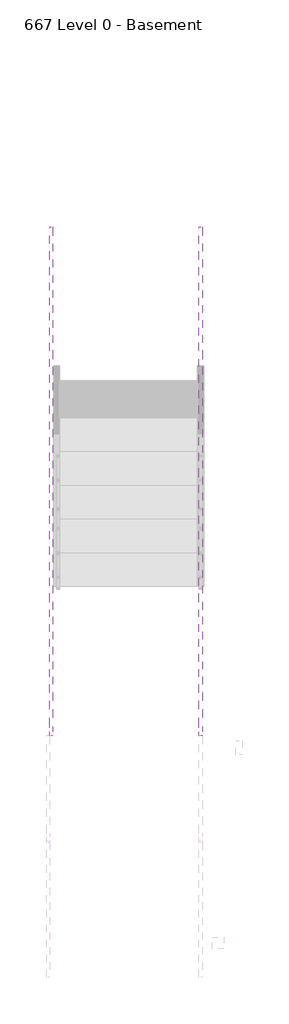
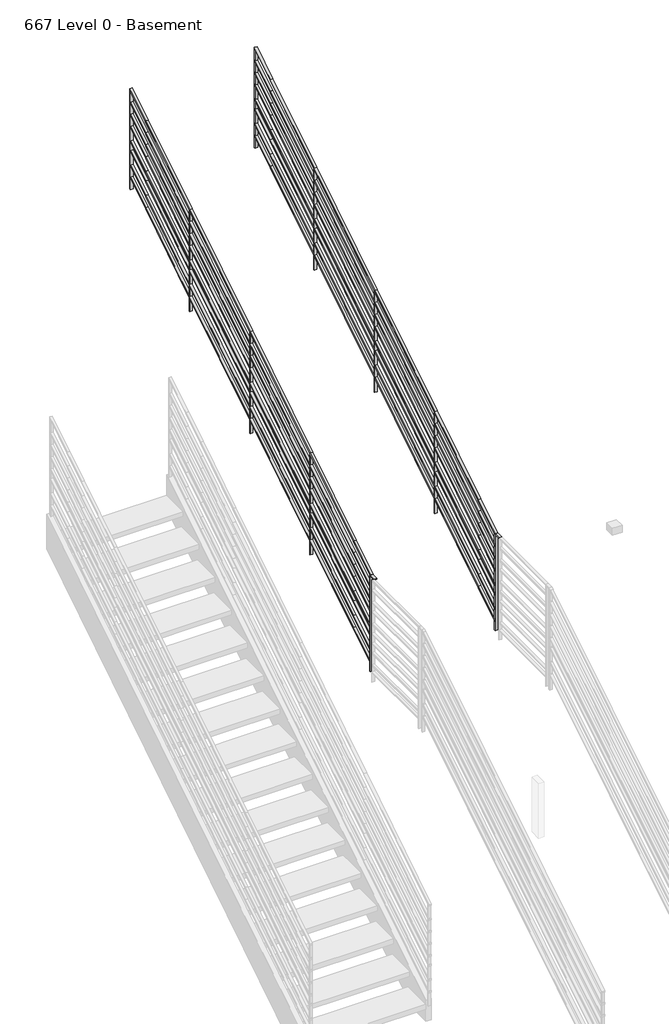
# One storey, part 12 of 19: 2 railings.
"""IFC4 building model written with IfcOpenShell, lengths in millimetres."""

from ifc_helpers import new_model, si_unit, frame, origin, place, context, project, spatial, polyline, outline, extrude, faceted_brep, element, save

model = new_model("IFC4")

# Units and contexts
model_context = context("Model", 3, world=origin())
ifc_project = project(units=[si_unit("LENGTHUNIT", "METRE", prefix="MILLI")], contexts=[model_context])

# Site, building, storey
site = spatial("IfcSite", under=ifc_project)
building = spatial("IfcBuilding", under=site)
storey = spatial("IfcBuildingStorey", under=building, Name="667 Level 0 - Basement", Elevation=-14122.4)

# Railings
placement = place(None, origin())
element("IfcRailing", 1, ObjectType="Handrail - Rectangular Type4", at=placement, inside=storey, context=model_context, shape_type="SolidModel", body=[
    faceted_brep([(-5707.5310621, 25963.8590209, -7929.0682498), (-5707.5310621, 25957.115476, -7918.3065305), (-5707.5310621, 26706.415476, -7448.7776344), (-5707.5310621, 26713.1590209, -7459.5393537), (-5682.1310621, 25963.8590209, -7929.0682498), (-5682.1310621, 26713.1590209, -7459.5393537), (-5682.1310621, 25957.115476, -7918.3065305), (-5682.1310621, 26706.415476, -7448.7776344), (-5707.5310621, 27740.3095062, -6800.9154661), (-5707.5310621, 27747.053051, -6811.6771854), (-5682.1310621, 27747.053051, -6811.6771854), (-5682.1310621, 27740.3095062, -6800.9154661), (-5707.5310621, 28781.7095062, -6148.3498817), (-5707.5310621, 28788.453051, -6159.111601), (-5682.1310621, 28788.453051, -6159.111601), (-5682.1310621, 28781.7095062, -6148.3498817), (-5707.5310621, 29537.3595062, -5674.8419272), (-5707.5310621, 29544.103051, -5685.6036465), (-5682.1310621, 29544.103051, -5685.6036465), (-5682.1310621, 29537.3595062, -5674.8419272), (-5707.5310621, 25679.2612155, -8107.4038876), (-5707.5310621, 25666.5612155, -8100.3746223), (-5682.1310621, 25679.2612155, -8107.4038876), (-5682.1310621, 25666.5612155, -8100.3746223), (-5707.5310621, 25666.5612155, -9119.8892549), (-5707.5310621, 25679.2612155, -9119.8892549), (-5682.1310621, 25679.2612155, -9119.8892549), (-5682.1310621, 25666.5612155, -9119.8892549), (-5707.5310621, 29812.2385956, -5502.5962639), (-5707.5310621, 29799.5385956, -5525.541763), (-5682.1310621, 29799.5385956, -5525.541763), (-5682.1310621, 29812.2385956, -5502.5962639), (-5707.5310621, 29812.2385956, -6555.4690135), (-5682.1310621, 29812.2385956, -6555.4690135), (-5682.1310621, 29799.5385956, -6555.4690135), (-5707.5310621, 29799.5385956, -6555.4690135)], [[[0, 1, 2, 3]], [[4, 0, 3, 5]], [[6, 4, 5, 7]], [[1, 6, 7, 2]], [[3, 2, 8, 9]], [[5, 3, 9, 10]], [[7, 5, 10, 11]], [[2, 7, 11, 8]], [[9, 8, 12, 13]], [[10, 9, 13, 14]], [[11, 10, 14, 15]], [[8, 11, 15, 12]], [[13, 12, 16, 17]], [[14, 13, 17, 18]], [[15, 14, 18, 19]], [[12, 15, 19, 16]], [[20, 21, 1, 0]], [[22, 20, 0, 4]], [[23, 22, 4, 6]], [[21, 23, 6, 1]], [[24, 25, 26, 27]], [[25, 24, 21, 20]], [[26, 25, 20, 22]], [[27, 26, 22, 23]], [[24, 27, 23, 21]], [[17, 16, 28, 29]], [[18, 17, 29, 30]], [[19, 18, 30, 31]], [[16, 19, 31, 28]], [[32, 33, 34, 35]], [[29, 28, 32, 35]], [[30, 29, 35, 34]], [[31, 30, 34, 33]], [[28, 31, 33, 32]]]),
    faceted_brep([(-5707.5310621, 25960.4872484, -8058.1810812), (-5707.5310621, 25960.4872484, -8043.193699), (-5682.1310621, 25960.4872484, -8043.193699), (-5682.1310621, 25960.4872484, -8058.1810812), (-5707.5310621, 25672.9112155, -8238.382946), (-5682.1310621, 25672.9112155, -8238.382946), (-5682.1310621, 25672.9112155, -8223.3955639), (-5707.5310621, 25672.9112155, -8223.3955639)], [[[0, 1, 2, 3]], [[4, 5, 6, 7]], [[1, 0, 4, 7]], [[2, 1, 7, 6]], [[3, 2, 6, 5]], [[0, 3, 5, 4]]]),
    faceted_brep([(-5707.5310621, 25960.4872484, -8185.1810812), (-5707.5310621, 25960.4872484, -8170.193699), (-5682.1310621, 25960.4872484, -8170.193699), (-5682.1310621, 25960.4872484, -8185.1810812), (-5707.5310621, 25672.9112155, -8365.382946), (-5682.1310621, 25672.9112155, -8365.382946), (-5682.1310621, 25672.9112155, -8350.3955639), (-5707.5310621, 25672.9112155, -8350.3955639)], [[[0, 1, 2, 3]], [[4, 5, 6, 7]], [[1, 0, 4, 7]], [[2, 1, 7, 6]], [[3, 2, 6, 5]], [[0, 3, 5, 4]]]),
    faceted_brep([(-5707.5310621, 25960.4872484, -8312.1810812), (-5707.5310621, 25960.4872484, -8297.193699), (-5682.1310621, 25960.4872484, -8297.193699), (-5682.1310621, 25960.4872484, -8312.1810812), (-5707.5310621, 25672.9112155, -8492.382946), (-5682.1310621, 25672.9112155, -8492.382946), (-5682.1310621, 25672.9112155, -8477.3955639), (-5707.5310621, 25672.9112155, -8477.3955639)], [[[0, 1, 2, 3]], [[4, 5, 6, 7]], [[1, 0, 4, 7]], [[2, 1, 7, 6]], [[3, 2, 6, 5]], [[0, 3, 5, 4]]]),
    faceted_brep([(-5707.5310621, 25960.4872484, -8464.5810812), (-5707.5310621, 25960.4872484, -8449.593699), (-5682.1310621, 25960.4872484, -8449.593699), (-5682.1310621, 25960.4872484, -8464.5810812), (-5707.5310621, 25672.9112155, -8644.782946), (-5682.1310621, 25672.9112155, -8644.782946), (-5682.1310621, 25672.9112155, -8629.7955639), (-5707.5310621, 25672.9112155, -8629.7955639)], [[[0, 1, 2, 3]], [[4, 5, 6, 7]], [[1, 0, 4, 7]], [[2, 1, 7, 6]], [[3, 2, 6, 5]], [[0, 3, 5, 4]]]),
    faceted_brep([(-5707.5310621, 25960.4872484, -8566.1810812), (-5707.5310621, 25960.4872484, -8551.193699), (-5682.1310621, 25960.4872484, -8551.193699), (-5682.1310621, 25960.4872484, -8566.1810812), (-5707.5310621, 25672.9112155, -8746.382946), (-5682.1310621, 25672.9112155, -8746.382946), (-5682.1310621, 25672.9112155, -8731.3955639), (-5707.5310621, 25672.9112155, -8731.3955639)], [[[0, 1, 2, 3]], [[4, 5, 6, 7]], [[1, 0, 4, 7]], [[2, 1, 7, 6]], [[3, 2, 6, 5]], [[0, 3, 5, 4]]]),
    faceted_brep([(-5707.5310621, 25960.4872484, -8718.5810812), (-5707.5310621, 25960.4872484, -8703.593699), (-5682.1310621, 25960.4872484, -8703.593699), (-5682.1310621, 25960.4872484, -8718.5810812), (-5707.5310621, 25672.9112155, -8898.782946), (-5682.1310621, 25672.9112155, -8898.782946), (-5682.1310621, 25672.9112155, -8883.7955639), (-5707.5310621, 25672.9112155, -8883.7955639)], [[[0, 1, 2, 3]], [[4, 5, 6, 7]], [[1, 0, 4, 7]], [[2, 1, 7, 6]], [[3, 2, 6, 5]], [[0, 3, 5, 4]]]),
    faceted_brep([(-5707.5310621, 25960.4872484, -8845.5810812), (-5707.5310621, 25960.4872484, -8830.593699), (-5682.1310621, 25960.4872484, -8830.593699), (-5682.1310621, 25960.4872484, -8845.5810812), (-5707.5310621, 25672.9112155, -9025.782946), (-5682.1310621, 25672.9112155, -9025.782946), (-5682.1310621, 25672.9112155, -9010.7955639), (-5707.5310621, 25672.9112155, -9010.7955639)], [[[0, 1, 2, 3]], [[4, 5, 6, 7]], [[1, 0, 4, 7]], [[2, 1, 7, 6]], [[3, 2, 6, 5]], [[0, 3, 5, 4]]]),
    faceted_brep([(-5707.5310621, 25599.8862155, -8102.6), (-5707.5310621, 25599.8862155, -8115.3), (-5682.1310621, 25599.8862155, -8115.3), (-5682.1310621, 25599.8862155, -8102.6), (-5707.5310621, 25676.0862155, -8102.6), (-5682.1310621, 25676.0862155, -8102.6), (-5682.1310621, 25676.0862155, -8115.3), (-5707.5310621, 25676.0862155, -8115.3)], [[[0, 1, 2, 3]], [[4, 5, 6, 7]], [[1, 0, 4, 7]], [[2, 1, 7, 6]], [[3, 2, 6, 5]], [[0, 3, 5, 4]]]),
    faceted_brep([(-5707.5310621, 29805.8885956, -5648.5627046), (-5707.5310621, 29805.8885956, -5633.5753224), (-5682.1310621, 29805.8885956, -5633.5753224), (-5682.1310621, 29805.8885956, -5648.5627046), (-5707.5310621, 29540.7312786, -5814.7164779), (-5682.1310621, 29540.7312786, -5814.7164779), (-5682.1310621, 29540.7312786, -5799.7290957), (-5707.5310621, 29540.7312786, -5799.7290957)], [[[0, 1, 2, 3]], [[4, 5, 6, 7]], [[1, 0, 4, 7]], [[2, 1, 7, 6]], [[3, 2, 6, 5]], [[0, 3, 5, 4]]]),
    faceted_brep([(-5707.5310621, 29805.8885956, -5775.5627046), (-5707.5310621, 29805.8885956, -5760.5753224), (-5682.1310621, 29805.8885956, -5760.5753224), (-5682.1310621, 29805.8885956, -5775.5627046), (-5707.5310621, 29540.7312786, -5941.7164779), (-5682.1310621, 29540.7312786, -5941.7164779), (-5682.1310621, 29540.7312786, -5926.7290957), (-5707.5310621, 29540.7312786, -5926.7290957)], [[[0, 1, 2, 3]], [[4, 5, 6, 7]], [[1, 0, 4, 7]], [[2, 1, 7, 6]], [[3, 2, 6, 5]], [[0, 3, 5, 4]]]),
    faceted_brep([(-5707.5310621, 29805.8885956, -5902.5627046), (-5707.5310621, 29805.8885956, -5887.5753224), (-5682.1310621, 29805.8885956, -5887.5753224), (-5682.1310621, 29805.8885956, -5902.5627046), (-5707.5310621, 29540.7312786, -6068.7164779), (-5682.1310621, 29540.7312786, -6068.7164779), (-5682.1310621, 29540.7312786, -6053.7290957), (-5707.5310621, 29540.7312786, -6053.7290957)], [[[0, 1, 2, 3]], [[4, 5, 6, 7]], [[1, 0, 4, 7]], [[2, 1, 7, 6]], [[3, 2, 6, 5]], [[0, 3, 5, 4]]]),
    faceted_brep([(-5707.5310621, 29805.8885956, -6054.9627046), (-5707.5310621, 29805.8885956, -6039.9753224), (-5682.1310621, 29805.8885956, -6039.9753224), (-5682.1310621, 29805.8885956, -6054.9627046), (-5707.5310621, 29540.7312786, -6221.1164779), (-5682.1310621, 29540.7312786, -6221.1164779), (-5682.1310621, 29540.7312786, -6206.1290957), (-5707.5310621, 29540.7312786, -6206.1290957)], [[[0, 1, 2, 3]], [[4, 5, 6, 7]], [[1, 0, 4, 7]], [[2, 1, 7, 6]], [[3, 2, 6, 5]], [[0, 3, 5, 4]]]),
    faceted_brep([(-5707.5310621, 29805.8885956, -6156.5627046), (-5707.5310621, 29805.8885956, -6141.5753224), (-5682.1310621, 29805.8885956, -6141.5753224), (-5682.1310621, 29805.8885956, -6156.5627046), (-5707.5310621, 29540.7312786, -6322.7164779), (-5682.1310621, 29540.7312786, -6322.7164779), (-5682.1310621, 29540.7312786, -6307.7290957), (-5707.5310621, 29540.7312786, -6307.7290957)], [[[0, 1, 2, 3]], [[4, 5, 6, 7]], [[1, 0, 4, 7]], [[2, 1, 7, 6]], [[3, 2, 6, 5]], [[0, 3, 5, 4]]]),
    faceted_brep([(-5707.5310621, 29805.8885956, -6308.9627046), (-5707.5310621, 29805.8885956, -6293.9753224), (-5682.1310621, 29805.8885956, -6293.9753224), (-5682.1310621, 29805.8885956, -6308.9627046), (-5707.5310621, 29540.7312786, -6475.1164779), (-5682.1310621, 29540.7312786, -6475.1164779), (-5682.1310621, 29540.7312786, -6460.1290957), (-5707.5310621, 29540.7312786, -6460.1290957)], [[[0, 1, 2, 3]], [[4, 5, 6, 7]], [[1, 0, 4, 7]], [[2, 1, 7, 6]], [[3, 2, 6, 5]], [[0, 3, 5, 4]]]),
    faceted_brep([(-5707.5310621, 29805.8885956, -6435.9627046), (-5707.5310621, 29805.8885956, -6420.9753224), (-5682.1310621, 29805.8885956, -6420.9753224), (-5682.1310621, 29805.8885956, -6435.9627046), (-5707.5310621, 29540.7312786, -6602.1164779), (-5682.1310621, 29540.7312786, -6602.1164779), (-5682.1310621, 29540.7312786, -6587.1290957), (-5707.5310621, 29540.7312786, -6587.1290957)], [[[0, 1, 2, 3]], [[4, 5, 6, 7]], [[1, 0, 4, 7]], [[2, 1, 7, 6]], [[3, 2, 6, 5]], [[0, 3, 5, 4]]]),
    extrude(outline(polyline([(25960.4872484, -8845.5810812), (25960.4872484, -8830.593699), (26709.7872484, -8361.0648029), (26709.7872484, -8376.0521851), (25960.4872484, -8845.5810812)])), frame((-5707.5310621, 0.0, 0.0), z_axis=(1.0, 0.0, 0.0), x_axis=(0.0, 1.0, 0.0)), (0.0, 0.0, 1.0), 25.4),
    extrude(outline(polyline([(25960.4872484, -8718.5810812), (25960.4872484, -8703.593699), (26709.7872484, -8234.0648029), (26709.7872484, -8249.0521851), (25960.4872484, -8718.5810812)])), frame((-5707.5310621, 0.0, 0.0), z_axis=(1.0, 0.0, 0.0), x_axis=(0.0, 1.0, 0.0)), (0.0, 0.0, 1.0), 25.4),
    extrude(outline(polyline([(25960.4872484, -8566.1810812), (25960.4872484, -8551.193699), (26709.7872484, -8081.6648029), (26709.7872484, -8096.6521851), (25960.4872484, -8566.1810812)])), frame((-5707.5310621, 0.0, 0.0), z_axis=(1.0, 0.0, 0.0), x_axis=(0.0, 1.0, 0.0)), (0.0, 0.0, 1.0), 25.4),
    extrude(outline(polyline([(25960.4872484, -8464.5810812), (25960.4872484, -8449.593699), (26709.7872484, -7980.0648029), (26709.7872484, -7995.0521851), (25960.4872484, -8464.5810812)])), frame((-5707.5310621, 0.0, 0.0), z_axis=(1.0, 0.0, 0.0), x_axis=(0.0, 1.0, 0.0)), (0.0, 0.0, 1.0), 25.4),
    extrude(outline(polyline([(25960.4872484, -8312.1810812), (25960.4872484, -8297.193699), (26709.7872484, -7827.6648029), (26709.7872484, -7842.6521851), (25960.4872484, -8312.1810812)])), frame((-5707.5310621, 0.0, 0.0), z_axis=(1.0, 0.0, 0.0), x_axis=(0.0, 1.0, 0.0)), (0.0, 0.0, 1.0), 25.4),
    extrude(outline(polyline([(25960.4872484, -8185.1810812), (25960.4872484, -8170.193699), (26709.7872484, -7700.6648029), (26709.7872484, -7715.6521851), (25960.4872484, -8185.1810812)])), frame((-5707.5310621, 0.0, 0.0), z_axis=(1.0, 0.0, 0.0), x_axis=(0.0, 1.0, 0.0)), (0.0, 0.0, 1.0), 25.4),
    extrude(outline(polyline([(25960.4872484, -8058.1810812), (25960.4872484, -8043.193699), (26709.7872484, -7573.6648029), (26709.7872484, -7588.6521851), (25960.4872484, -8058.1810812)])), frame((-5707.5310621, 0.0, 0.0), z_axis=(1.0, 0.0, 0.0), x_axis=(0.0, 1.0, 0.0)), (0.0, 0.0, 1.0), 25.4),
    extrude(outline(polyline([(26709.7872484, -8376.0521851), (26709.7872484, -8361.0648029), (27743.6812786, -7713.2026347), (27743.6812786, -7728.1900169), (26709.7872484, -8376.0521851)])), frame((-5707.5310621, 0.0, 0.0), z_axis=(1.0, 0.0, 0.0), x_axis=(0.0, 1.0, 0.0)), (0.0, 0.0, 1.0), 25.4),
    extrude(outline(polyline([(27743.6812786, -7728.1900169), (27743.6812786, -7713.2026347), (28785.0812786, -7060.6370503), (28785.0812786, -7075.6244324), (27743.6812786, -7728.1900169)])), frame((-5707.5310621, 0.0, 0.0), z_axis=(1.0, 0.0, 0.0), x_axis=(0.0, 1.0, 0.0)), (0.0, 0.0, 1.0), 25.4),
    extrude(outline(polyline([(28785.0812786, -7075.6244324), (28785.0812786, -7060.6370503), (29540.7312786, -6587.1290957), (29540.7312786, -6602.1164779), (28785.0812786, -7075.6244324)])), frame((-5707.5310621, 0.0, 0.0), z_axis=(1.0, 0.0, 0.0), x_axis=(0.0, 1.0, 0.0)), (0.0, 0.0, 1.0), 25.4),
    extrude(outline(polyline([(26709.7872484, -8249.0521851), (26709.7872484, -8234.0648029), (27743.6812786, -7586.2026347), (27743.6812786, -7601.1900169), (26709.7872484, -8249.0521851)])), frame((-5707.5310621, 0.0, 0.0), z_axis=(1.0, 0.0, 0.0), x_axis=(0.0, 1.0, 0.0)), (0.0, 0.0, 1.0), 25.4),
    extrude(outline(polyline([(27743.6812786, -7601.1900169), (27743.6812786, -7586.2026347), (28785.0812786, -6933.6370503), (28785.0812786, -6948.6244324), (27743.6812786, -7601.1900169)])), frame((-5707.5310621, 0.0, 0.0), z_axis=(1.0, 0.0, 0.0), x_axis=(0.0, 1.0, 0.0)), (0.0, 0.0, 1.0), 25.4),
    extrude(outline(polyline([(28785.0812786, -6948.6244324), (28785.0812786, -6933.6370503), (29540.7312786, -6460.1290957), (29540.7312786, -6475.1164779), (28785.0812786, -6948.6244324)])), frame((-5707.5310621, 0.0, 0.0), z_axis=(1.0, 0.0, 0.0), x_axis=(0.0, 1.0, 0.0)), (0.0, 0.0, 1.0), 25.4),
    extrude(outline(polyline([(26709.7872484, -8096.6521851), (26709.7872484, -8081.6648029), (27743.6812786, -7433.8026347), (27743.6812786, -7448.7900169), (26709.7872484, -8096.6521851)])), frame((-5707.5310621, 0.0, 0.0), z_axis=(1.0, 0.0, 0.0), x_axis=(0.0, 1.0, 0.0)), (0.0, 0.0, 1.0), 25.4),
    extrude(outline(polyline([(27743.6812786, -7448.7900169), (27743.6812786, -7433.8026347), (28785.0812786, -6781.2370503), (28785.0812786, -6796.2244324), (27743.6812786, -7448.7900169)])), frame((-5707.5310621, 0.0, 0.0), z_axis=(1.0, 0.0, 0.0), x_axis=(0.0, 1.0, 0.0)), (0.0, 0.0, 1.0), 25.4),
    extrude(outline(polyline([(28785.0812786, -6796.2244324), (28785.0812786, -6781.2370503), (29540.7312786, -6307.7290957), (29540.7312786, -6322.7164779), (28785.0812786, -6796.2244324)])), frame((-5707.5310621, 0.0, 0.0), z_axis=(1.0, 0.0, 0.0), x_axis=(0.0, 1.0, 0.0)), (0.0, 0.0, 1.0), 25.4),
    extrude(outline(polyline([(26709.7872484, -7995.0521851), (26709.7872484, -7980.0648029), (27743.6812786, -7332.2026347), (27743.6812786, -7347.1900169), (26709.7872484, -7995.0521851)])), frame((-5707.5310621, 0.0, 0.0), z_axis=(1.0, 0.0, 0.0), x_axis=(0.0, 1.0, 0.0)), (0.0, 0.0, 1.0), 25.4),
    extrude(outline(polyline([(27743.6812786, -7347.1900169), (27743.6812786, -7332.2026347), (28785.0812786, -6679.6370503), (28785.0812786, -6694.6244324), (27743.6812786, -7347.1900169)])), frame((-5707.5310621, 0.0, 0.0), z_axis=(1.0, 0.0, 0.0), x_axis=(0.0, 1.0, 0.0)), (0.0, 0.0, 1.0), 25.4),
    extrude(outline(polyline([(28785.0812786, -6694.6244324), (28785.0812786, -6679.6370503), (29540.7312786, -6206.1290957), (29540.7312786, -6221.1164779), (28785.0812786, -6694.6244324)])), frame((-5707.5310621, 0.0, 0.0), z_axis=(1.0, 0.0, 0.0), x_axis=(0.0, 1.0, 0.0)), (0.0, 0.0, 1.0), 25.4),
    extrude(outline(polyline([(26709.7872484, -7842.6521851), (26709.7872484, -7827.6648029), (27743.6812786, -7179.8026347), (27743.6812786, -7194.7900169), (26709.7872484, -7842.6521851)])), frame((-5707.5310621, 0.0, 0.0), z_axis=(1.0, 0.0, 0.0), x_axis=(0.0, 1.0, 0.0)), (0.0, 0.0, 1.0), 25.4),
    extrude(outline(polyline([(27743.6812786, -7194.7900169), (27743.6812786, -7179.8026347), (28785.0812786, -6527.2370503), (28785.0812786, -6542.2244324), (27743.6812786, -7194.7900169)])), frame((-5707.5310621, 0.0, 0.0), z_axis=(1.0, 0.0, 0.0), x_axis=(0.0, 1.0, 0.0)), (0.0, 0.0, 1.0), 25.4),
    extrude(outline(polyline([(28785.0812786, -6542.2244324), (28785.0812786, -6527.2370503), (29540.7312786, -6053.7290957), (29540.7312786, -6068.7164779), (28785.0812786, -6542.2244324)])), frame((-5707.5310621, 0.0, 0.0), z_axis=(1.0, 0.0, 0.0), x_axis=(0.0, 1.0, 0.0)), (0.0, 0.0, 1.0), 25.4),
    extrude(outline(polyline([(26709.7872484, -7715.6521851), (26709.7872484, -7700.6648029), (27743.6812786, -7052.8026347), (27743.6812786, -7067.7900169), (26709.7872484, -7715.6521851)])), frame((-5707.5310621, 0.0, 0.0), z_axis=(1.0, 0.0, 0.0), x_axis=(0.0, 1.0, 0.0)), (0.0, 0.0, 1.0), 25.4),
    extrude(outline(polyline([(27743.6812786, -7067.7900169), (27743.6812786, -7052.8026347), (28785.0812786, -6400.2370503), (28785.0812786, -6415.2244324), (27743.6812786, -7067.7900169)])), frame((-5707.5310621, 0.0, 0.0), z_axis=(1.0, 0.0, 0.0), x_axis=(0.0, 1.0, 0.0)), (0.0, 0.0, 1.0), 25.4),
    extrude(outline(polyline([(28785.0812786, -6415.2244324), (28785.0812786, -6400.2370503), (29540.7312786, -5926.7290957), (29540.7312786, -5941.7164779), (28785.0812786, -6415.2244324)])), frame((-5707.5310621, 0.0, 0.0), z_axis=(1.0, 0.0, 0.0), x_axis=(0.0, 1.0, 0.0)), (0.0, 0.0, 1.0), 25.4),
    extrude(outline(polyline([(26709.7872484, -7588.6521851), (26709.7872484, -7573.6648029), (27743.6812786, -6925.8026347), (27743.6812786, -6940.7900169), (26709.7872484, -7588.6521851)])), frame((-5707.5310621, 0.0, 0.0), z_axis=(1.0, 0.0, 0.0), x_axis=(0.0, 1.0, 0.0)), (0.0, 0.0, 1.0), 25.4),
    extrude(outline(polyline([(27743.6812786, -6940.7900169), (27743.6812786, -6925.8026347), (28785.0812786, -6273.2370503), (28785.0812786, -6288.2244324), (27743.6812786, -6940.7900169)])), frame((-5707.5310621, 0.0, 0.0), z_axis=(1.0, 0.0, 0.0), x_axis=(0.0, 1.0, 0.0)), (0.0, 0.0, 1.0), 25.4),
    extrude(outline(polyline([(28785.0812786, -6288.2244324), (28785.0812786, -6273.2370503), (29540.7312786, -5799.7290957), (29540.7312786, -5814.7164779), (28785.0812786, -6288.2244324)])), frame((-5707.5310621, 0.0, 0.0), z_axis=(1.0, 0.0, 0.0), x_axis=(0.0, 1.0, 0.0)), (0.0, 0.0, 1.0), 25.4),
    extrude(outline(polyline([(28781.9062786, -6163.2139617), (28788.2562786, -6159.2349032), (28788.2562786, -7220.5307413), (28781.9062786, -7220.5307413), (28781.9062786, -6163.2139617)])), frame((-5707.5310621, 0.0, 0.0), z_axis=(1.0, 0.0, 0.0), x_axis=(0.0, 1.0, 0.0)), (0.0, 0.0, 1.0), 25.4),
    extrude(outline(polyline([(27740.5062786, -6815.7795461), (27746.8562786, -6811.8004876), (27746.8562786, -7873.0963258), (27740.5062786, -7873.0963258), (27740.5062786, -6815.7795461)])), frame((-5707.5310621, 0.0, 0.0), z_axis=(1.0, 0.0, 0.0), x_axis=(0.0, 1.0, 0.0)), (0.0, 0.0, 1.0), 25.4),
    extrude(outline(polyline([(26706.6122484, -7463.6417143), (26712.9622484, -7459.6626559), (26712.9622484, -8520.958494), (26706.6122484, -8520.958494), (26706.6122484, -7463.6417143)])), frame((-5707.5310621, 0.0, 0.0), z_axis=(1.0, 0.0, 0.0), x_axis=(0.0, 1.0, 0.0)), (0.0, 0.0, 1.0), 25.4),
])
element("IfcRailing", 2, ObjectType="Handrail - Rectangular Type4", at=placement, inside=storey, context=model_context, shape_type="SolidModel", body=[
    faceted_brep([(-6947.6970042, 25963.8590209, -7929.0682498), (-6947.6970042, 25957.115476, -7918.3065305), (-6947.6970042, 26706.415476, -7448.7776344), (-6947.6970042, 26713.1590209, -7459.5393537), (-6922.2970042, 25963.8590209, -7929.0682498), (-6922.2970042, 26713.1590209, -7459.5393537), (-6922.2970042, 25957.115476, -7918.3065305), (-6922.2970042, 26706.415476, -7448.7776344), (-6947.6970042, 27740.3095062, -6800.9154661), (-6947.6970042, 27747.053051, -6811.6771854), (-6922.2970042, 27747.053051, -6811.6771854), (-6922.2970042, 27740.3095062, -6800.9154661), (-6947.6970042, 28781.7095062, -6148.3498817), (-6947.6970042, 28788.453051, -6159.111601), (-6922.2970042, 28788.453051, -6159.111601), (-6922.2970042, 28781.7095062, -6148.3498817), (-6947.6970042, 29537.3595062, -5674.8419272), (-6947.6970042, 29544.103051, -5685.6036465), (-6922.2970042, 29544.103051, -5685.6036465), (-6922.2970042, 29537.3595062, -5674.8419272), (-6947.6970042, 25679.2612155, -8107.4038876), (-6947.6970042, 25666.5612155, -8100.3746223), (-6922.2970042, 25679.2612155, -8107.4038876), (-6922.2970042, 25666.5612155, -8100.3746223), (-6947.6970042, 25666.5612155, -9119.8892549), (-6947.6970042, 25679.2612155, -9119.8892549), (-6922.2970042, 25679.2612155, -9119.8892549), (-6922.2970042, 25666.5612155, -9119.8892549), (-6947.6970042, 29812.2385956, -5502.5962639), (-6947.6970042, 29799.5385956, -5525.541763), (-6922.2970042, 29799.5385956, -5525.541763), (-6922.2970042, 29812.2385956, -5502.5962639), (-6947.6970042, 29812.2385956, -6555.4690135), (-6922.2970042, 29812.2385956, -6555.4690135), (-6922.2970042, 29799.5385956, -6555.4690135), (-6947.6970042, 29799.5385956, -6555.4690135)], [[[0, 1, 2, 3]], [[4, 0, 3, 5]], [[6, 4, 5, 7]], [[1, 6, 7, 2]], [[3, 2, 8, 9]], [[5, 3, 9, 10]], [[7, 5, 10, 11]], [[2, 7, 11, 8]], [[9, 8, 12, 13]], [[10, 9, 13, 14]], [[11, 10, 14, 15]], [[8, 11, 15, 12]], [[13, 12, 16, 17]], [[14, 13, 17, 18]], [[15, 14, 18, 19]], [[12, 15, 19, 16]], [[20, 21, 1, 0]], [[22, 20, 0, 4]], [[23, 22, 4, 6]], [[21, 23, 6, 1]], [[24, 25, 26, 27]], [[25, 24, 21, 20]], [[26, 25, 20, 22]], [[27, 26, 22, 23]], [[24, 27, 23, 21]], [[17, 16, 28, 29]], [[18, 17, 29, 30]], [[19, 18, 30, 31]], [[16, 19, 31, 28]], [[32, 33, 34, 35]], [[29, 28, 32, 35]], [[30, 29, 35, 34]], [[31, 30, 34, 33]], [[28, 31, 33, 32]]]),
    faceted_brep([(-6947.6970042, 25960.4872484, -8058.1810812), (-6947.6970042, 25960.4872484, -8043.193699), (-6922.2970042, 25960.4872484, -8043.193699), (-6922.2970042, 25960.4872484, -8058.1810812), (-6947.6970042, 25672.9112155, -8238.382946), (-6922.2970042, 25672.9112155, -8238.382946), (-6922.2970042, 25672.9112155, -8223.3955639), (-6947.6970042, 25672.9112155, -8223.3955639)], [[[0, 1, 2, 3]], [[4, 5, 6, 7]], [[1, 0, 4, 7]], [[2, 1, 7, 6]], [[3, 2, 6, 5]], [[0, 3, 5, 4]]]),
    faceted_brep([(-6947.6970042, 25960.4872484, -8185.1810812), (-6947.6970042, 25960.4872484, -8170.193699), (-6922.2970042, 25960.4872484, -8170.193699), (-6922.2970042, 25960.4872484, -8185.1810812), (-6947.6970042, 25672.9112155, -8365.382946), (-6922.2970042, 25672.9112155, -8365.382946), (-6922.2970042, 25672.9112155, -8350.3955639), (-6947.6970042, 25672.9112155, -8350.3955639)], [[[0, 1, 2, 3]], [[4, 5, 6, 7]], [[1, 0, 4, 7]], [[2, 1, 7, 6]], [[3, 2, 6, 5]], [[0, 3, 5, 4]]]),
    faceted_brep([(-6947.6970042, 25960.4872484, -8312.1810812), (-6947.6970042, 25960.4872484, -8297.193699), (-6922.2970042, 25960.4872484, -8297.193699), (-6922.2970042, 25960.4872484, -8312.1810812), (-6947.6970042, 25672.9112155, -8492.382946), (-6922.2970042, 25672.9112155, -8492.382946), (-6922.2970042, 25672.9112155, -8477.3955639), (-6947.6970042, 25672.9112155, -8477.3955639)], [[[0, 1, 2, 3]], [[4, 5, 6, 7]], [[1, 0, 4, 7]], [[2, 1, 7, 6]], [[3, 2, 6, 5]], [[0, 3, 5, 4]]]),
    faceted_brep([(-6947.6970042, 25960.4872484, -8464.5810812), (-6947.6970042, 25960.4872484, -8449.593699), (-6922.2970042, 25960.4872484, -8449.593699), (-6922.2970042, 25960.4872484, -8464.5810812), (-6947.6970042, 25672.9112155, -8644.782946), (-6922.2970042, 25672.9112155, -8644.782946), (-6922.2970042, 25672.9112155, -8629.7955639), (-6947.6970042, 25672.9112155, -8629.7955639)], [[[0, 1, 2, 3]], [[4, 5, 6, 7]], [[1, 0, 4, 7]], [[2, 1, 7, 6]], [[3, 2, 6, 5]], [[0, 3, 5, 4]]]),
    faceted_brep([(-6947.6970042, 25960.4872484, -8566.1810812), (-6947.6970042, 25960.4872484, -8551.193699), (-6922.2970042, 25960.4872484, -8551.193699), (-6922.2970042, 25960.4872484, -8566.1810812), (-6947.6970042, 25672.9112155, -8746.382946), (-6922.2970042, 25672.9112155, -8746.382946), (-6922.2970042, 25672.9112155, -8731.3955639), (-6947.6970042, 25672.9112155, -8731.3955639)], [[[0, 1, 2, 3]], [[4, 5, 6, 7]], [[1, 0, 4, 7]], [[2, 1, 7, 6]], [[3, 2, 6, 5]], [[0, 3, 5, 4]]]),
    faceted_brep([(-6947.6970042, 25960.4872484, -8718.5810812), (-6947.6970042, 25960.4872484, -8703.593699), (-6922.2970042, 25960.4872484, -8703.593699), (-6922.2970042, 25960.4872484, -8718.5810812), (-6947.6970042, 25672.9112155, -8898.782946), (-6922.2970042, 25672.9112155, -8898.782946), (-6922.2970042, 25672.9112155, -8883.7955639), (-6947.6970042, 25672.9112155, -8883.7955639)], [[[0, 1, 2, 3]], [[4, 5, 6, 7]], [[1, 0, 4, 7]], [[2, 1, 7, 6]], [[3, 2, 6, 5]], [[0, 3, 5, 4]]]),
    faceted_brep([(-6947.6970042, 25960.4872484, -8845.5810812), (-6947.6970042, 25960.4872484, -8830.593699), (-6922.2970042, 25960.4872484, -8830.593699), (-6922.2970042, 25960.4872484, -8845.5810812), (-6947.6970042, 25672.9112155, -9025.782946), (-6922.2970042, 25672.9112155, -9025.782946), (-6922.2970042, 25672.9112155, -9010.7955639), (-6947.6970042, 25672.9112155, -9010.7955639)], [[[0, 1, 2, 3]], [[4, 5, 6, 7]], [[1, 0, 4, 7]], [[2, 1, 7, 6]], [[3, 2, 6, 5]], [[0, 3, 5, 4]]]),
    faceted_brep([(-6947.6970042, 25599.8862155, -8102.6), (-6947.6970042, 25599.8862155, -8115.3), (-6922.2970042, 25599.8862155, -8115.3), (-6922.2970042, 25599.8862155, -8102.6), (-6947.6970042, 25676.0862155, -8102.6), (-6922.2970042, 25676.0862155, -8102.6), (-6922.2970042, 25676.0862155, -8115.3), (-6947.6970042, 25676.0862155, -8115.3)], [[[0, 1, 2, 3]], [[4, 5, 6, 7]], [[1, 0, 4, 7]], [[2, 1, 7, 6]], [[3, 2, 6, 5]], [[0, 3, 5, 4]]]),
    faceted_brep([(-6947.6970042, 29805.8885956, -5648.5627046), (-6947.6970042, 29805.8885956, -5633.5753224), (-6922.2970042, 29805.8885956, -5633.5753224), (-6922.2970042, 29805.8885956, -5648.5627046), (-6947.6970042, 29540.7312786, -5814.7164779), (-6922.2970042, 29540.7312786, -5814.7164779), (-6922.2970042, 29540.7312786, -5799.7290957), (-6947.6970042, 29540.7312786, -5799.7290957)], [[[0, 1, 2, 3]], [[4, 5, 6, 7]], [[1, 0, 4, 7]], [[2, 1, 7, 6]], [[3, 2, 6, 5]], [[0, 3, 5, 4]]]),
    faceted_brep([(-6947.6970042, 29805.8885956, -5775.5627046), (-6947.6970042, 29805.8885956, -5760.5753224), (-6922.2970042, 29805.8885956, -5760.5753224), (-6922.2970042, 29805.8885956, -5775.5627046), (-6947.6970042, 29540.7312786, -5941.7164779), (-6922.2970042, 29540.7312786, -5941.7164779), (-6922.2970042, 29540.7312786, -5926.7290957), (-6947.6970042, 29540.7312786, -5926.7290957)], [[[0, 1, 2, 3]], [[4, 5, 6, 7]], [[1, 0, 4, 7]], [[2, 1, 7, 6]], [[3, 2, 6, 5]], [[0, 3, 5, 4]]]),
    faceted_brep([(-6947.6970042, 29805.8885956, -5902.5627046), (-6947.6970042, 29805.8885956, -5887.5753224), (-6922.2970042, 29805.8885956, -5887.5753224), (-6922.2970042, 29805.8885956, -5902.5627046), (-6947.6970042, 29540.7312786, -6068.7164779), (-6922.2970042, 29540.7312786, -6068.7164779), (-6922.2970042, 29540.7312786, -6053.7290957), (-6947.6970042, 29540.7312786, -6053.7290957)], [[[0, 1, 2, 3]], [[4, 5, 6, 7]], [[1, 0, 4, 7]], [[2, 1, 7, 6]], [[3, 2, 6, 5]], [[0, 3, 5, 4]]]),
    faceted_brep([(-6947.6970042, 29805.8885956, -6054.9627046), (-6947.6970042, 29805.8885956, -6039.9753224), (-6922.2970042, 29805.8885956, -6039.9753224), (-6922.2970042, 29805.8885956, -6054.9627046), (-6947.6970042, 29540.7312786, -6221.1164779), (-6922.2970042, 29540.7312786, -6221.1164779), (-6922.2970042, 29540.7312786, -6206.1290957), (-6947.6970042, 29540.7312786, -6206.1290957)], [[[0, 1, 2, 3]], [[4, 5, 6, 7]], [[1, 0, 4, 7]], [[2, 1, 7, 6]], [[3, 2, 6, 5]], [[0, 3, 5, 4]]]),
    faceted_brep([(-6947.6970042, 29805.8885956, -6156.5627046), (-6947.6970042, 29805.8885956, -6141.5753224), (-6922.2970042, 29805.8885956, -6141.5753224), (-6922.2970042, 29805.8885956, -6156.5627046), (-6947.6970042, 29540.7312786, -6322.7164779), (-6922.2970042, 29540.7312786, -6322.7164779), (-6922.2970042, 29540.7312786, -6307.7290957), (-6947.6970042, 29540.7312786, -6307.7290957)], [[[0, 1, 2, 3]], [[4, 5, 6, 7]], [[1, 0, 4, 7]], [[2, 1, 7, 6]], [[3, 2, 6, 5]], [[0, 3, 5, 4]]]),
    faceted_brep([(-6947.6970042, 29805.8885956, -6308.9627046), (-6947.6970042, 29805.8885956, -6293.9753224), (-6922.2970042, 29805.8885956, -6293.9753224), (-6922.2970042, 29805.8885956, -6308.9627046), (-6947.6970042, 29540.7312786, -6475.1164779), (-6922.2970042, 29540.7312786, -6475.1164779), (-6922.2970042, 29540.7312786, -6460.1290957), (-6947.6970042, 29540.7312786, -6460.1290957)], [[[0, 1, 2, 3]], [[4, 5, 6, 7]], [[1, 0, 4, 7]], [[2, 1, 7, 6]], [[3, 2, 6, 5]], [[0, 3, 5, 4]]]),
    faceted_brep([(-6947.6970042, 29805.8885956, -6435.9627046), (-6947.6970042, 29805.8885956, -6420.9753224), (-6922.2970042, 29805.8885956, -6420.9753224), (-6922.2970042, 29805.8885956, -6435.9627046), (-6947.6970042, 29540.7312786, -6602.1164779), (-6922.2970042, 29540.7312786, -6602.1164779), (-6922.2970042, 29540.7312786, -6587.1290957), (-6947.6970042, 29540.7312786, -6587.1290957)], [[[0, 1, 2, 3]], [[4, 5, 6, 7]], [[1, 0, 4, 7]], [[2, 1, 7, 6]], [[3, 2, 6, 5]], [[0, 3, 5, 4]]]),
    extrude(outline(polyline([(25960.4872484, -8845.5810812), (25960.4872484, -8830.593699), (26709.7872484, -8361.0648029), (26709.7872484, -8376.0521851), (25960.4872484, -8845.5810812)])), frame((-6947.6970042, 0.0, 0.0), z_axis=(1.0, 0.0, 0.0), x_axis=(0.0, 1.0, 0.0)), (0.0, 0.0, 1.0), 25.4),
    extrude(outline(polyline([(25960.4872484, -8718.5810812), (25960.4872484, -8703.593699), (26709.7872484, -8234.0648029), (26709.7872484, -8249.0521851), (25960.4872484, -8718.5810812)])), frame((-6947.6970042, 0.0, 0.0), z_axis=(1.0, 0.0, 0.0), x_axis=(0.0, 1.0, 0.0)), (0.0, 0.0, 1.0), 25.4),
    extrude(outline(polyline([(25960.4872484, -8566.1810812), (25960.4872484, -8551.193699), (26709.7872484, -8081.6648029), (26709.7872484, -8096.6521851), (25960.4872484, -8566.1810812)])), frame((-6947.6970042, 0.0, 0.0), z_axis=(1.0, 0.0, 0.0), x_axis=(0.0, 1.0, 0.0)), (0.0, 0.0, 1.0), 25.4),
    extrude(outline(polyline([(25960.4872484, -8464.5810812), (25960.4872484, -8449.593699), (26709.7872484, -7980.0648029), (26709.7872484, -7995.0521851), (25960.4872484, -8464.5810812)])), frame((-6947.6970042, 0.0, 0.0), z_axis=(1.0, 0.0, 0.0), x_axis=(0.0, 1.0, 0.0)), (0.0, 0.0, 1.0), 25.4),
    extrude(outline(polyline([(25960.4872484, -8312.1810812), (25960.4872484, -8297.193699), (26709.7872484, -7827.6648029), (26709.7872484, -7842.6521851), (25960.4872484, -8312.1810812)])), frame((-6947.6970042, 0.0, 0.0), z_axis=(1.0, 0.0, 0.0), x_axis=(0.0, 1.0, 0.0)), (0.0, 0.0, 1.0), 25.4),
    extrude(outline(polyline([(25960.4872484, -8185.1810812), (25960.4872484, -8170.193699), (26709.7872484, -7700.6648029), (26709.7872484, -7715.6521851), (25960.4872484, -8185.1810812)])), frame((-6947.6970042, 0.0, 0.0), z_axis=(1.0, 0.0, 0.0), x_axis=(0.0, 1.0, 0.0)), (0.0, 0.0, 1.0), 25.4),
    extrude(outline(polyline([(25960.4872484, -8058.1810812), (25960.4872484, -8043.193699), (26709.7872484, -7573.6648029), (26709.7872484, -7588.6521851), (25960.4872484, -8058.1810812)])), frame((-6947.6970042, 0.0, 0.0), z_axis=(1.0, 0.0, 0.0), x_axis=(0.0, 1.0, 0.0)), (0.0, 0.0, 1.0), 25.4),
    extrude(outline(polyline([(26709.7872484, -8376.0521851), (26709.7872484, -8361.0648029), (27743.6812786, -7713.2026347), (27743.6812786, -7728.1900169), (26709.7872484, -8376.0521851)])), frame((-6947.6970042, 0.0, 0.0), z_axis=(1.0, 0.0, 0.0), x_axis=(0.0, 1.0, 0.0)), (0.0, 0.0, 1.0), 25.4),
    extrude(outline(polyline([(27743.6812786, -7728.1900169), (27743.6812786, -7713.2026347), (28785.0812786, -7060.6370503), (28785.0812786, -7075.6244324), (27743.6812786, -7728.1900169)])), frame((-6947.6970042, 0.0, 0.0), z_axis=(1.0, 0.0, 0.0), x_axis=(0.0, 1.0, 0.0)), (0.0, 0.0, 1.0), 25.4),
    extrude(outline(polyline([(28785.0812786, -7075.6244324), (28785.0812786, -7060.6370503), (29540.7312786, -6587.1290957), (29540.7312786, -6602.1164779), (28785.0812786, -7075.6244324)])), frame((-6947.6970042, 0.0, 0.0), z_axis=(1.0, 0.0, 0.0), x_axis=(0.0, 1.0, 0.0)), (0.0, 0.0, 1.0), 25.4),
    extrude(outline(polyline([(26709.7872484, -8249.0521851), (26709.7872484, -8234.0648029), (27743.6812786, -7586.2026347), (27743.6812786, -7601.1900169), (26709.7872484, -8249.0521851)])), frame((-6947.6970042, 0.0, 0.0), z_axis=(1.0, 0.0, 0.0), x_axis=(0.0, 1.0, 0.0)), (0.0, 0.0, 1.0), 25.4),
    extrude(outline(polyline([(27743.6812786, -7601.1900169), (27743.6812786, -7586.2026347), (28785.0812786, -6933.6370503), (28785.0812786, -6948.6244324), (27743.6812786, -7601.1900169)])), frame((-6947.6970042, 0.0, 0.0), z_axis=(1.0, 0.0, 0.0), x_axis=(0.0, 1.0, 0.0)), (0.0, 0.0, 1.0), 25.4),
    extrude(outline(polyline([(28785.0812786, -6948.6244324), (28785.0812786, -6933.6370503), (29540.7312786, -6460.1290957), (29540.7312786, -6475.1164779), (28785.0812786, -6948.6244324)])), frame((-6947.6970042, 0.0, 0.0), z_axis=(1.0, 0.0, 0.0), x_axis=(0.0, 1.0, 0.0)), (0.0, 0.0, 1.0), 25.4),
    extrude(outline(polyline([(26709.7872484, -8096.6521851), (26709.7872484, -8081.6648029), (27743.6812786, -7433.8026347), (27743.6812786, -7448.7900169), (26709.7872484, -8096.6521851)])), frame((-6947.6970042, 0.0, 0.0), z_axis=(1.0, 0.0, 0.0), x_axis=(0.0, 1.0, 0.0)), (0.0, 0.0, 1.0), 25.4),
    extrude(outline(polyline([(27743.6812786, -7448.7900169), (27743.6812786, -7433.8026347), (28785.0812786, -6781.2370503), (28785.0812786, -6796.2244324), (27743.6812786, -7448.7900169)])), frame((-6947.6970042, 0.0, 0.0), z_axis=(1.0, 0.0, 0.0), x_axis=(0.0, 1.0, 0.0)), (0.0, 0.0, 1.0), 25.4),
    extrude(outline(polyline([(28785.0812786, -6796.2244324), (28785.0812786, -6781.2370503), (29540.7312786, -6307.7290957), (29540.7312786, -6322.7164779), (28785.0812786, -6796.2244324)])), frame((-6947.6970042, 0.0, 0.0), z_axis=(1.0, 0.0, 0.0), x_axis=(0.0, 1.0, 0.0)), (0.0, 0.0, 1.0), 25.4),
    extrude(outline(polyline([(26709.7872484, -7995.0521851), (26709.7872484, -7980.0648029), (27743.6812786, -7332.2026347), (27743.6812786, -7347.1900169), (26709.7872484, -7995.0521851)])), frame((-6947.6970042, 0.0, 0.0), z_axis=(1.0, 0.0, 0.0), x_axis=(0.0, 1.0, 0.0)), (0.0, 0.0, 1.0), 25.4),
    extrude(outline(polyline([(27743.6812786, -7347.1900169), (27743.6812786, -7332.2026347), (28785.0812786, -6679.6370503), (28785.0812786, -6694.6244324), (27743.6812786, -7347.1900169)])), frame((-6947.6970042, 0.0, 0.0), z_axis=(1.0, 0.0, 0.0), x_axis=(0.0, 1.0, 0.0)), (0.0, 0.0, 1.0), 25.4),
    extrude(outline(polyline([(28785.0812786, -6694.6244324), (28785.0812786, -6679.6370503), (29540.7312786, -6206.1290957), (29540.7312786, -6221.1164779), (28785.0812786, -6694.6244324)])), frame((-6947.6970042, 0.0, 0.0), z_axis=(1.0, 0.0, 0.0), x_axis=(0.0, 1.0, 0.0)), (0.0, 0.0, 1.0), 25.4),
    extrude(outline(polyline([(26709.7872484, -7842.6521851), (26709.7872484, -7827.6648029), (27743.6812786, -7179.8026347), (27743.6812786, -7194.7900169), (26709.7872484, -7842.6521851)])), frame((-6947.6970042, 0.0, 0.0), z_axis=(1.0, 0.0, 0.0), x_axis=(0.0, 1.0, 0.0)), (0.0, 0.0, 1.0), 25.4),
    extrude(outline(polyline([(27743.6812786, -7194.7900169), (27743.6812786, -7179.8026347), (28785.0812786, -6527.2370503), (28785.0812786, -6542.2244324), (27743.6812786, -7194.7900169)])), frame((-6947.6970042, 0.0, 0.0), z_axis=(1.0, 0.0, 0.0), x_axis=(0.0, 1.0, 0.0)), (0.0, 0.0, 1.0), 25.4),
    extrude(outline(polyline([(28785.0812786, -6542.2244324), (28785.0812786, -6527.2370503), (29540.7312786, -6053.7290957), (29540.7312786, -6068.7164779), (28785.0812786, -6542.2244324)])), frame((-6947.6970042, 0.0, 0.0), z_axis=(1.0, 0.0, 0.0), x_axis=(0.0, 1.0, 0.0)), (0.0, 0.0, 1.0), 25.4),
    extrude(outline(polyline([(26709.7872484, -7715.6521851), (26709.7872484, -7700.6648029), (27743.6812786, -7052.8026347), (27743.6812786, -7067.7900169), (26709.7872484, -7715.6521851)])), frame((-6947.6970042, 0.0, 0.0), z_axis=(1.0, 0.0, 0.0), x_axis=(0.0, 1.0, 0.0)), (0.0, 0.0, 1.0), 25.4),
    extrude(outline(polyline([(27743.6812786, -7067.7900169), (27743.6812786, -7052.8026347), (28785.0812786, -6400.2370503), (28785.0812786, -6415.2244324), (27743.6812786, -7067.7900169)])), frame((-6947.6970042, 0.0, 0.0), z_axis=(1.0, 0.0, 0.0), x_axis=(0.0, 1.0, 0.0)), (0.0, 0.0, 1.0), 25.4),
    extrude(outline(polyline([(28785.0812786, -6415.2244324), (28785.0812786, -6400.2370503), (29540.7312786, -5926.7290957), (29540.7312786, -5941.7164779), (28785.0812786, -6415.2244324)])), frame((-6947.6970042, 0.0, 0.0), z_axis=(1.0, 0.0, 0.0), x_axis=(0.0, 1.0, 0.0)), (0.0, 0.0, 1.0), 25.4),
    extrude(outline(polyline([(26709.7872484, -7588.6521851), (26709.7872484, -7573.6648029), (27743.6812786, -6925.8026347), (27743.6812786, -6940.7900169), (26709.7872484, -7588.6521851)])), frame((-6947.6970042, 0.0, 0.0), z_axis=(1.0, 0.0, 0.0), x_axis=(0.0, 1.0, 0.0)), (0.0, 0.0, 1.0), 25.4),
    extrude(outline(polyline([(27743.6812786, -6940.7900169), (27743.6812786, -6925.8026347), (28785.0812786, -6273.2370503), (28785.0812786, -6288.2244324), (27743.6812786, -6940.7900169)])), frame((-6947.6970042, 0.0, 0.0), z_axis=(1.0, 0.0, 0.0), x_axis=(0.0, 1.0, 0.0)), (0.0, 0.0, 1.0), 25.4),
    extrude(outline(polyline([(28785.0812786, -6288.2244324), (28785.0812786, -6273.2370503), (29540.7312786, -5799.7290957), (29540.7312786, -5814.7164779), (28785.0812786, -6288.2244324)])), frame((-6947.6970042, 0.0, 0.0), z_axis=(1.0, 0.0, 0.0), x_axis=(0.0, 1.0, 0.0)), (0.0, 0.0, 1.0), 25.4),
    extrude(outline(polyline([(28781.9062786, -7220.5307413), (28781.9062786, -6163.2139617), (28788.2562786, -6159.2349032), (28788.2562786, -7220.5307413), (28781.9062786, -7220.5307413)])), frame((-6947.6970042, 0.0, 0.0), z_axis=(1.0, 0.0, 0.0), x_axis=(0.0, 1.0, 0.0)), (0.0, 0.0, 1.0), 25.4),
    extrude(outline(polyline([(27740.5062786, -7873.0963258), (27740.5062786, -6815.7795461), (27746.8562786, -6811.8004876), (27746.8562786, -7873.0963258), (27740.5062786, -7873.0963258)])), frame((-6947.6970042, 0.0, 0.0), z_axis=(1.0, 0.0, 0.0), x_axis=(0.0, 1.0, 0.0)), (0.0, 0.0, 1.0), 25.4),
    extrude(outline(polyline([(26706.6122484, -8520.958494), (26706.6122484, -7463.6417143), (26712.9622484, -7459.6626559), (26712.9622484, -8520.958494), (26706.6122484, -8520.958494)])), frame((-6947.6970042, 0.0, 0.0), z_axis=(1.0, 0.0, 0.0), x_axis=(0.0, 1.0, 0.0)), (0.0, 0.0, 1.0), 25.4),
])

save(model, "model.ifc")
